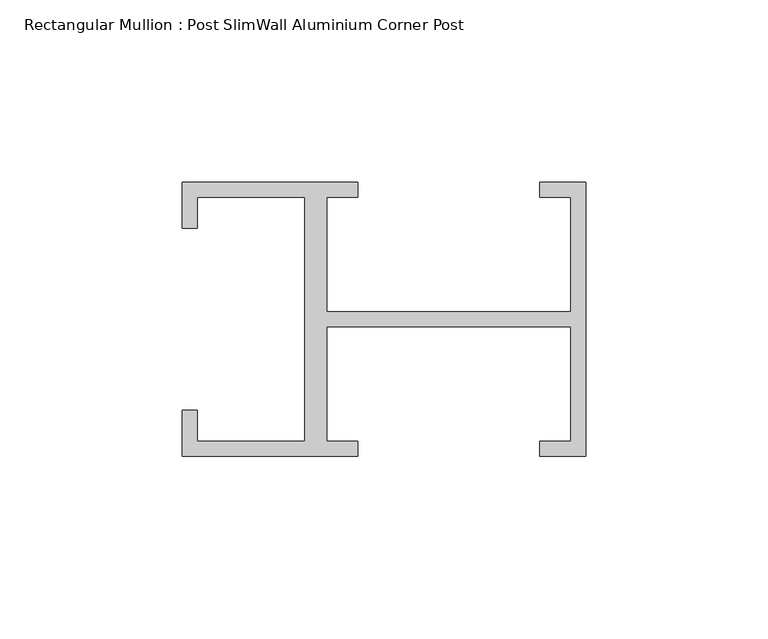
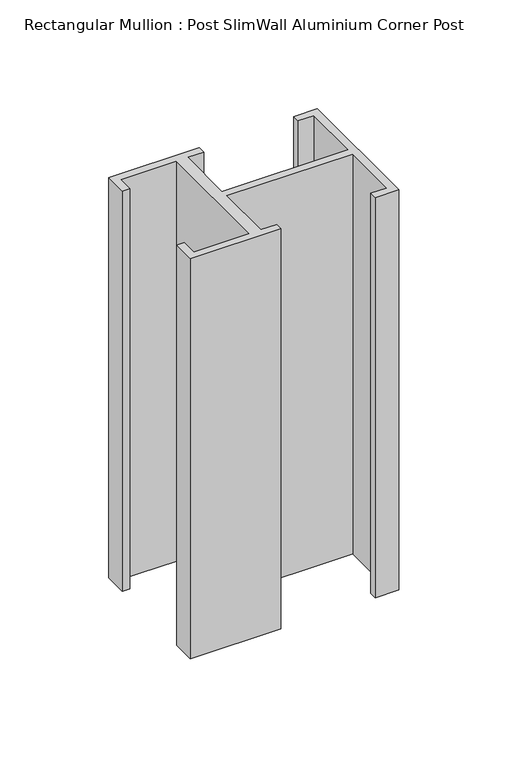
"""IFC4 building model written with IfcOpenShell, lengths in millimetres: member geometry, Rectangular Mullion : Post SlimWall Aluminium Corner Post."""

from ifc_helpers import new_model, si_unit, frame, origin, place, context, project, spatial, polyline, outline, extrude, source, transform, mapped, element, save


def rectangular_mullion_post_slimwall_aluminium_corner_post_3b1cb01d(model_context):
    return source(origin(), model_context, "Body", "SweptSolid", [
        extrude(outline(polyline([(-71.0, 33.5), (-71.0, 2.0), (-4.0, 2.0), (-4.0, 33.5), (-12.5, 33.5), (-12.5, 37.5), (0.0, 37.5), (0.0, -37.5), (-12.5, -37.5), (-12.5, -33.5), (-4.0, -33.5), (-4.0, -2.0), (-71.0, -2.0), (-71.0, -33.5), (-62.5, -33.5), (-62.5, -37.5), (-110.5, -37.5), (-110.5, -25.0), (-106.5, -25.0), (-106.5, -33.5), (-77.0, -33.5), (-77.0, 33.5), (-106.5, 33.5), (-106.5, 25.0), (-110.5, 25.0), (-110.5, 37.5), (-62.5, 37.5), (-62.5, 33.5), (-71.0, 33.5)])), frame((0.0, 0.0, -224.55), z_axis=(0.0, 0.0, 1.0), x_axis=(1.0, 0.0, 0.0)), (0.0, 0.0, 1.0), 224.55),
    ])


if __name__ == "__main__":
    model = new_model("IFC4")
    model_context = context("Model", 3, world=origin())
    ifc_project = project(units=[si_unit("LENGTHUNIT", "METRE", prefix="MILLI")], contexts=[model_context])
    site = spatial("IfcSite", under=ifc_project)
    building = spatial("IfcBuilding", under=site)
    placement = place(None, origin())
    rectangular_mullion_post_slimwall_aluminium_corner_post_shape = rectangular_mullion_post_slimwall_aluminium_corner_post_3b1cb01d(model_context)
    element("IfcMember", 1, ObjectType="Rectangular Mullion : Post SlimWall Aluminium Corner Post", at=placement, inside=building, context=model_context, shape_type="MappedRepresentation", body=[
        mapped(rectangular_mullion_post_slimwall_aluminium_corner_post_shape, transform((0.0, 0.0, 0.0), x_axis=(1.0, 0.0, 0.0), y_axis=(0.0, 1.0, 0.0), z_axis=(0.0, 0.0, 1.0))),
    ])
    save(model, "model.ifc")
